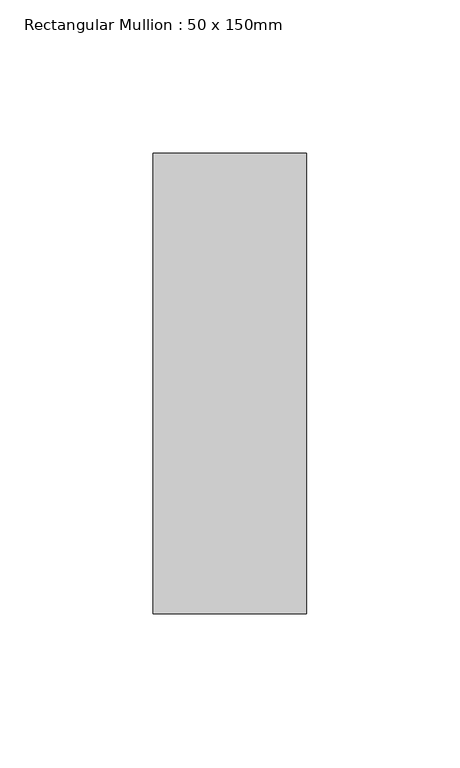
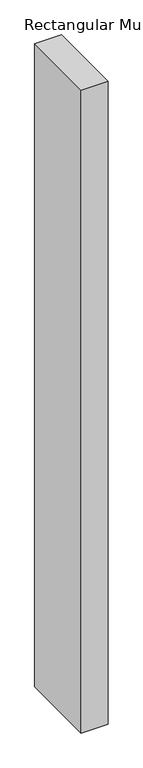
"""IFC4 building model written with IfcOpenShell, lengths in millimetres: member geometry, Rectangular Mullion : 50 x 150mm."""

from ifc_helpers import new_model, si_unit, frame, origin, place, context, project, spatial, polyline, outline, extrude, source, transform, mapped, element, save


def rectangular_mullion_50_x_150mm_395cedcc(model_context):
    return source(origin(), model_context, "Body", "SweptSolid", [
        extrude(outline(polyline([(0.0, 75.0), (0.0, -75.0), (-50.0, -75.0), (-50.0, 75.0), (0.0, 75.0)])), frame((0.0, 0.0, -1264.1765303), z_axis=(0.0, 0.0, 1.0), x_axis=(1.0, 0.0, 0.0)), (0.0, 0.0, 1.0), 1264.1765303),
    ])


if __name__ == "__main__":
    model = new_model("IFC4")
    model_context = context("Model", 3, world=origin())
    ifc_project = project(units=[si_unit("LENGTHUNIT", "METRE", prefix="MILLI")], contexts=[model_context])
    site = spatial("IfcSite", under=ifc_project)
    building = spatial("IfcBuilding", under=site)
    placement = place(None, origin())
    rectangular_mullion_50_x_150mm_shape = rectangular_mullion_50_x_150mm_395cedcc(model_context)
    element("IfcMember", 1, ObjectType="Rectangular Mullion : 50 x 150mm", at=placement, inside=building, context=model_context, shape_type="MappedRepresentation", body=[
        mapped(rectangular_mullion_50_x_150mm_shape, transform((0.0, 0.0, 0.0), x_axis=(1.0, 0.0, 0.0), y_axis=(0.0, 1.0, 0.0), z_axis=(0.0, 0.0, 1.0))),
    ])
    save(model, "model.ifc")
